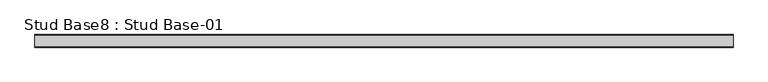
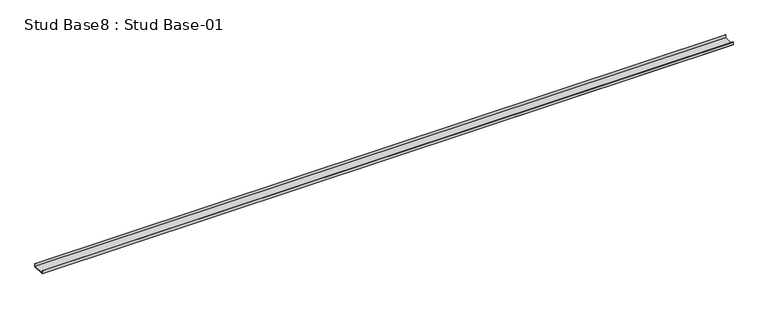
"""IFC4 building model written with IfcOpenShell, lengths in millimetres: proxy geometry, Stud Base8 : Stud Base-01."""

from ifc_helpers import new_model, si_unit, frame, origin, place, context, project, spatial, polyline, outline, extrude, source, transform, mapped, element, save


def stud_base8_stud_base_01_4d6db3d3(model_context):
    return source(origin(), model_context, "Body", "SweptSolid", [
        extrude(outline(polyline([(-487.1, 9300.0), (-641.1109375, 9300.0), (-641.1109375, 9337.0), (-639.6109375, 9337.0), (-639.6109375, 9302.0), (-488.6, 9302.0), (-488.6, 9337.0), (-487.1, 9337.0), (-487.1, 9300.0)])), frame((-13774.1749894, 0.0, 0.0), z_axis=(1.0, 0.0, 0.0), x_axis=(0.0, 1.0, 0.0)), (0.0, 0.0, 1.0), 8540.0),
    ])


if __name__ == "__main__":
    model = new_model("IFC4")
    model_context = context("Model", 3, world=origin())
    ifc_project = project(units=[si_unit("LENGTHUNIT", "METRE", prefix="MILLI")], contexts=[model_context])
    site = spatial("IfcSite", under=ifc_project)
    building = spatial("IfcBuilding", under=site)
    placement = place(None, origin())
    stud_base8_stud_base_01_shape = stud_base8_stud_base_01_4d6db3d3(model_context)
    element("IfcBuildingElementProxy", 1, Name="Stud Base8 : Stud Base-01", ObjectType="Stud Base8 : Stud Base-01", at=placement, inside=building, context=model_context, shape_type="MappedRepresentation", body=[
        mapped(stud_base8_stud_base_01_shape, transform((0.0, 0.0, 0.0), x_axis=(1.0, 0.0, 0.0), y_axis=(0.0, 1.0, 0.0), z_axis=(0.0, 0.0, 1.0))),
    ])
    save(model, "model.ifc")
